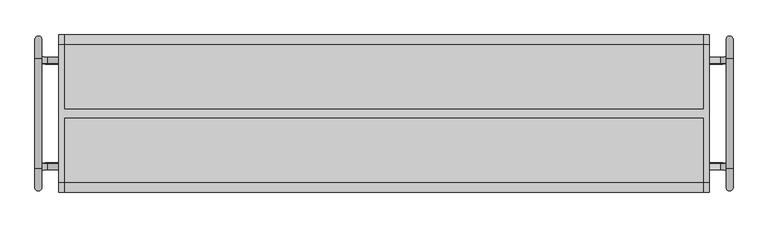
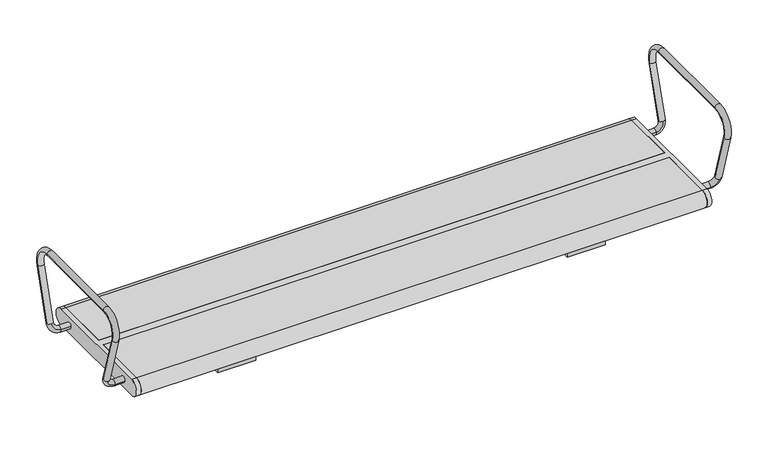
"""IFC4 building model written with IfcOpenShell, lengths in millimetres: furniture geometry."""

from ifc_helpers import new_model, si_unit, point, frame, frame_2d, origin, place, context, project, spatial, polyline, circle_curve, ellipse_curve, trimmed, segment, composite_curve, outline, extrude, source, transform, mapped, element, save
from ifc_brep_helpers import plane_surface, cylinder_surface, revolved_surface, advanced_brep


def furniture_32a941c4(model_context):
    return source(origin(), model_context, "Body", "SolidModel", [
        advanced_brep(
        [(797.0, 129.1398058, 447.5823999), (797.0, 170.6460701, 583.3432733), (813.0, 170.6460701, 583.3432733), (813.0, 129.1398058, 447.5823999), (805.0, 136.7902438, 445.2434262), (805.0, 121.4893678, 449.9213735), (813.0, 127.6123561, 641.5), (797.0, 127.6123561, 641.5), (797.0, -127.6123561, 641.5), (813.0, -127.6123561, 641.5), (797.0, -170.6460701, 583.3432733), (813.0, -170.6460701, 583.3432733), (797.0, -129.1398058, 447.5823999), (805.0, -136.7902438, 445.2434262), (813.0, -129.1398058, 447.5823999), (805.0, -121.4893678, 449.9213735), (784.0, -115.349562, 429.8389736), (784.0, -130.650438, 425.1610264), (757.0, -130.650438, 425.1610264), (757.0, -115.349562, 429.8389736), (784.0, 130.650438, 425.1610264), (784.0, 115.349562, 429.8389736), (757.0, 130.650438, 425.1610264), (757.0, 115.349562, 429.8389736)],
        [
            (0, 1),
            (1, 2, circle_curve(frame((805.0, 170.6460701, 583.3432733), z_axis=(0.0, -0.2923717047227381, -0.9563047559630351), x_axis=(-1.0, 0.0, 0.0)), 8.0)),
            (2, 3),
            (3, 4, circle_curve(frame((805.0, 129.1398058, 447.5823999), z_axis=(0.0, 0.2923717047227381, 0.9563047559630351), x_axis=(-1.0, 0.0, 0.0)), 8.0)),
            (4, 0, circle_curve(frame((805.0, 129.1398058, 447.5823999), z_axis=(0.0, 0.2923717047227381, 0.9563047559630351), x_axis=(-1.0, 0.0, 0.0)), 8.0)),
            (0, 5, circle_curve(frame((805.0, 129.1398058, 447.5823999), z_axis=(0.0, 0.2923717047227381, 0.9563047559630351), x_axis=(-1.0, 0.0, 0.0)), 8.0)),
            (5, 3, circle_curve(frame((805.0, 129.1398058, 447.5823999), z_axis=(0.0, 0.2923717047227381, 0.9563047559630351), x_axis=(-1.0, 0.0, 0.0)), 8.0)),
            (2, 1, circle_curve(frame((805.0, 170.6460701, 583.3432733), z_axis=(0.0, -0.2923717047227381, -0.9563047559630351), x_axis=(-1.0, 0.0, 0.0)), 8.0)),
            (6, 7, circle_curve(frame((805.0, 127.6123561, 641.5), z_axis=(0.0, -1.0, 0.0), x_axis=(-1.0, 0.0, 0.0)), 8.0)),
            (7, 8),
            (8, 9, circle_curve(frame((805.0, -127.6123561, 641.5), z_axis=(0.0, 1.0, 0.0), x_axis=(-1.0, 0.0, 0.0)), 8.0)),
            (9, 6),
            (7, 6, circle_curve(frame((805.0, 127.6123561, 641.5), z_axis=(0.0, -1.0, 0.0), x_axis=(-1.0, 0.0, 0.0)), 8.0)),
            (9, 8, circle_curve(frame((805.0, -127.6123561, 641.5), z_axis=(0.0, 1.0, 0.0), x_axis=(-1.0, 0.0, 0.0)), 8.0)),
            (1, 7, circle_curve(frame((797.0, 127.6123561, 596.5), z_axis=(1.0, 0.0, 0.0), x_axis=(0.0, 0.9563047559630351, -0.2923717047227379)), 45.0)),
            (6, 2, circle_curve(frame((813.0, 127.6123561, 596.5), z_axis=(-1.0, 0.0, 0.0), x_axis=(0.0, 0.9563047559630351, -0.2923717047227379)), 45.0)),
            (8, 10, circle_curve(frame((797.0, -127.6123561, 596.5), z_axis=(1.0, 0.0, 0.0), x_axis=(0.0, 0.0, 1.0)), 45.0)),
            (10, 11, circle_curve(frame((805.0, -170.6460701, 583.3432733), z_axis=(0.0, -0.29237170472274115, 0.9563047559630341), x_axis=(-1.0, 0.0, 0.0)), 8.0)),
            (11, 9, circle_curve(frame((813.0, -127.6123561, 596.5), z_axis=(-1.0, 0.0, 0.0), x_axis=(0.0, 0.0, 1.0)), 45.0)),
            (11, 10, circle_curve(frame((805.0, -170.6460701, 583.3432733), z_axis=(0.0, -0.29237170472274093, 0.9563047559630342), x_axis=(-1.0, 0.0, 0.0)), 8.0)),
            (10, 12),
            (12, 13, circle_curve(frame((805.0, -129.1398058, 447.5823999), z_axis=(0.0, -0.29237170472273494, 0.9563047559630361), x_axis=(-1.0, 0.0, 0.0)), 8.0)),
            (13, 14, circle_curve(frame((805.0, -129.1398058, 447.5823999), z_axis=(0.0, -0.29237170472273494, 0.9563047559630361), x_axis=(-1.0, 0.0, 0.0)), 8.0)),
            (14, 11),
            (14, 15, circle_curve(frame((805.0, -129.1398058, 447.5823999), z_axis=(0.0, -0.29237170472273494, 0.9563047559630361), x_axis=(-1.0, 0.0, 0.0)), 8.0)),
            (15, 12, circle_curve(frame((805.0, -129.1398058, 447.5823999), z_axis=(0.0, -0.29237170472273494, 0.9563047559630361), x_axis=(-1.0, 0.0, 0.0)), 8.0)),
            (16, 15, circle_curve(frame((784.0, -121.4893678, 449.9213735), z_axis=(0.0, -0.9563047559630359, -0.29237170472273544), x_axis=(1.0, 0.0, 0.0)), 21.0)),
            (13, 17, circle_curve(frame((784.0, -136.7902438, 445.2434262), z_axis=(0.0, 0.9563047559630359, 0.29237170472273544), x_axis=(1.0, 0.0, 0.0)), 21.0)),
            (17, 16, circle_curve(frame((784.0, -123.0, 427.5), z_axis=(1.0, 0.0, 0.0), x_axis=(0.0, 0.9563047559630359, 0.29237170472273544)), 8.0)),
            (16, 17, circle_curve(frame((784.0, -123.0, 427.5), z_axis=(1.0, 0.0, 0.0), x_axis=(0.0, 0.9563047559630359, 0.29237170472273544)), 8.0)),
            (18, 19, circle_curve(frame((757.0, -123.0, 427.5), z_axis=(-1.0, 0.0, 0.0), x_axis=(0.0, 0.956304755963036, 0.2923717047227355)), 8.0)),
            (19, 18, circle_curve(frame((757.0, -123.0, 427.5), z_axis=(-1.0, 0.0, 0.0), x_axis=(0.0, 0.956304755963036, 0.2923717047227355)), 8.0)),
            (17, 18),
            (19, 16),
            (20, 4, circle_curve(frame((784.0, 136.7902438, 445.2434262), z_axis=(0.0, -0.9563047559630359, 0.29237170472273544), x_axis=(1.0, 0.0, 0.0)), 21.0)),
            (5, 21, circle_curve(frame((784.0, 121.4893678, 449.9213735), z_axis=(0.0, 0.9563047559630359, -0.29237170472273544), x_axis=(1.0, 0.0, 0.0)), 21.0)),
            (21, 20, circle_curve(frame((784.0, 123.0, 427.5), z_axis=(1.0, 0.0, 0.0), x_axis=(0.0, -0.9563047559630359, 0.29237170472273544)), 8.0)),
            (20, 21, circle_curve(frame((784.0, 123.0, 427.5), z_axis=(1.0, 0.0, 0.0), x_axis=(0.0, -0.9563047559630359, 0.29237170472273544)), 8.0)),
            (22, 23, circle_curve(frame((757.0, 123.0, 427.5), z_axis=(-1.0, 0.0, 0.0), x_axis=(0.0, -0.956304755963036, 0.2923717047227355)), 8.0)),
            (23, 22, circle_curve(frame((757.0, 123.0, 427.5), z_axis=(-1.0, 0.0, 0.0), x_axis=(0.0, -0.956304755963036, 0.2923717047227355)), 8.0)),
            (21, 23),
            (22, 20),
        ],
        [
            cylinder_surface(frame((805.0, 129.1398058, 447.5823999), z_axis=(0.0, -0.2923717047227381, -0.9563047559630351), x_axis=(-1.0, 0.0, 0.0)), 8.0),
            cylinder_surface(frame((805.0, 127.6123561, 641.5), z_axis=(0.0, 1.0, 0.0), x_axis=(-1.0, 0.0, 0.0)), 8.0),
            revolved_surface(trimmed(ellipse_curve(frame((805.0, 170.6460701, 583.3432733), z_axis=(0.0, -0.2923717047227378, -0.9563047559630351), x_axis=(-1.0, 0.0, 0.0)), 8.0, 8.0), [point((797.0, 170.6460701, 583.3432733))], [point((813.0, 170.6460701, 583.3432733))], True, "CARTESIAN"), (0.0, 127.6123561, 596.5), (1.0, 0.0, 0.0)),
            revolved_surface(trimmed(ellipse_curve(frame((805.0, 170.6460701, 583.3432733), z_axis=(0.0, -0.2923717047227378, -0.9563047559630351), x_axis=(-1.0, 0.0, 0.0)), 8.0, 8.0), [point((813.0, 170.6460701, 583.3432733))], [point((797.0, 170.6460701, 583.3432733))], True, "CARTESIAN"), (0.0, 127.6123561, 596.5), (1.0, 0.0, 0.0)),
            revolved_surface(trimmed(ellipse_curve(frame((805.0, -127.6123561, 641.5), z_axis=(0.0, 1.0, 0.0), x_axis=(-1.0, 0.0, 0.0)), 8.0, 8.0), [point((797.0, -127.6123561, 641.5))], [point((813.0, -127.6123561, 641.5))], True, "CARTESIAN"), (0.0, -127.6123561, 596.5), (1.0, 0.0, 0.0)),
            revolved_surface(trimmed(ellipse_curve(frame((805.0, -127.6123561, 641.5), z_axis=(0.0, 1.0, 0.0), x_axis=(-1.0, 0.0, 0.0)), 8.0, 8.0), [point((813.0, -127.6123561, 641.5))], [point((797.0, -127.6123561, 641.5))], True, "CARTESIAN"), (0.0, -127.6123561, 596.5), (1.0, 0.0, 0.0)),
            cylinder_surface(frame((805.0, -170.6460701, 583.3432733), z_axis=(0.0, -0.29237170472273494, 0.9563047559630361), x_axis=(-1.0, 0.0, 0.0)), 8.0),
            revolved_surface(trimmed(ellipse_curve(frame((805.0, -129.1398058, 447.5823999), z_axis=(0.0, -0.29237170472273544, 0.9563047559630359), x_axis=(0.0, 0.9563047559630359, 0.29237170472273544)), 8.0, 8.0), [point((805.0, -136.7902438, 445.2434262))], [point((805.0, -121.4893678, 449.9213735))], True, "CARTESIAN"), (784.0, -11.5143208, 483.5441196), (0.0, 0.9563047559630359, 0.29237170472273544)),
            revolved_surface(trimmed(ellipse_curve(frame((805.0, -129.1398058, 447.5823999), z_axis=(0.0, -0.29237170472273544, 0.9563047559630359), x_axis=(0.0, 0.9563047559630359, 0.29237170472273544)), 8.0, 8.0), [point((805.0, -121.4893678, 449.9213735))], [point((805.0, -136.7902438, 445.2434262))], True, "CARTESIAN"), (784.0, -11.5143208, 483.5441196), (0.0, 0.9563047559630359, 0.29237170472273544)),
            plane_surface(frame((757.0, -5.374515, 463.4617197), z_axis=(-1.0, 0.0, 0.0), x_axis=(0.0, 0.9563047559630359, 0.29237170472273544))),
            cylinder_surface(frame((784.0, -123.0, 427.5), z_axis=(1.0, 0.0, 0.0), x_axis=(0.0, 0.956304755963036, 0.2923717047227355)), 8.0),
            revolved_surface(trimmed(ellipse_curve(frame((805.0, 129.1398058, 447.5823999), z_axis=(0.0, 0.29237170472273544, 0.9563047559630359), x_axis=(0.0, -0.9563047559630359, 0.29237170472273544)), 8.0, 8.0), [point((805.0, 121.4893678, 449.9213735))], [point((805.0, 136.7902438, 445.2434262))], True, "CARTESIAN"), (784.0, 11.5143208, 483.5441196), (0.0, 0.9563047559630359, -0.29237170472273544)),
            revolved_surface(trimmed(ellipse_curve(frame((805.0, 129.1398058, 447.5823999), z_axis=(0.0, 0.29237170472273544, 0.9563047559630359), x_axis=(0.0, -0.9563047559630359, 0.29237170472273544)), 8.0, 8.0), [point((805.0, 136.7902438, 445.2434262))], [point((805.0, 121.4893678, 449.9213735))], True, "CARTESIAN"), (784.0, 11.5143208, 483.5441196), (0.0, 0.9563047559630359, -0.29237170472273544)),
            plane_surface(frame((757.0, 5.374515, 463.4617197), z_axis=(-1.0, 0.0, 0.0), x_axis=(0.0, -0.9563047559630359, 0.29237170472273544))),
            cylinder_surface(frame((784.0, 123.0, 427.5), z_axis=(1.0, 0.0, 0.0), x_axis=(0.0, -0.956304755963036, 0.2923717047227355)), 8.0),
        ],
        [
            (0, [[1, 2, 3, 4, 5]]),
            (0, [[-1, 6, 7, -3, 8]]),
            (1, [[9, 10, 11, 12]]),
            (1, [[-10, 13, -12, 14]]),
            (2, [[-2, 15, -9, 16]]),
            (3, [[-8, -16, -13, -15]]),
            (4, [[-11, 17, 18, 19]]),
            (5, [[-14, -19, 20, -17]]),
            (6, [[-18, 21, 22, 23, 24]]),
            (6, [[-20, -24, 25, 26, -21]]),
            (7, [[27, -25, -23, 28, 29]]),
            (8, [[-27, 30, -28, -22, -26]]),
            (9, [[31, 32]]),
            (10, [[-29, 33, -32, 34]]),
            (10, [[-30, -34, -31, -33]]),
            (11, [[35, -4, -7, 36, 37]]),
            (12, [[-35, 38, -36, -6, -5]]),
            (13, [[39, 40]]),
            (14, [[-37, 41, -39, 42]]),
            (14, [[-38, -42, -40, -41]]),
        ],
    ),
        advanced_brep(
        [(-784.0, -130.650438, 425.1610264), (-805.0, -136.7902438, 445.2434262), (-813.0, -129.1398058, 447.5823999), (-805.0, -121.4893678, 449.9213735), (-784.0, -115.349562, 429.8389736), (-797.0, -129.1398058, 447.5823999), (-757.0, -130.650438, 425.1610264), (-757.0, -115.349562, 429.8389736), (-813.0, 129.1398058, 447.5823999), (-813.0, 170.6460701, 583.3432733), (-797.0, 170.6460701, 583.3432733), (-797.0, 129.1398058, 447.5823999), (-805.0, 136.7902438, 445.2434262), (-805.0, 121.4893678, 449.9213735), (-797.0, 127.6123561, 641.5), (-813.0, 127.6123561, 641.5), (-813.0, -127.6123561, 641.5), (-797.0, -127.6123561, 641.5), (-813.0, -170.6460701, 583.3432733), (-797.0, -170.6460701, 583.3432733), (-784.0, 115.349562, 429.8389736), (-784.0, 130.650438, 425.1610264), (-757.0, 130.650438, 425.1610264), (-757.0, 115.349562, 429.8389736)],
        [
            (0, 1, circle_curve(frame((-784.0, -136.7902438, 445.2434262), z_axis=(0.0, 0.9563047559630359, 0.29237170472273544), x_axis=(-1.0, 0.0, 0.0)), 21.0)),
            (1, 2, circle_curve(frame((-805.0, -129.1398058, 447.5823999), z_axis=(0.0, 0.29237170472273544, -0.9563047559630359), x_axis=(0.0, 0.9563047559630359, 0.29237170472273544)), 8.0)),
            (2, 3, circle_curve(frame((-805.0, -129.1398058, 447.5823999), z_axis=(0.0, 0.29237170472273544, -0.9563047559630359), x_axis=(0.0, 0.9563047559630359, 0.29237170472273544)), 8.0)),
            (3, 4, circle_curve(frame((-784.0, -121.4893678, 449.9213735), z_axis=(0.0, -0.9563047559630359, -0.29237170472273544), x_axis=(-1.0, 0.0, 0.0)), 21.0)),
            (4, 0, circle_curve(frame((-784.0, -123.0, 427.5), z_axis=(-1.0, 0.0, 0.0), x_axis=(0.0, 0.9563047559630359, 0.29237170472273544)), 8.0)),
            (0, 4, circle_curve(frame((-784.0, -123.0, 427.5), z_axis=(-1.0, 0.0, 0.0), x_axis=(0.0, 0.9563047559630359, 0.29237170472273544)), 8.0)),
            (3, 5, circle_curve(frame((-805.0, -129.1398058, 447.5823999), z_axis=(0.0, 0.29237170472273544, -0.9563047559630359), x_axis=(0.0, 0.9563047559630359, 0.29237170472273544)), 8.0)),
            (5, 1, circle_curve(frame((-805.0, -129.1398058, 447.5823999), z_axis=(0.0, 0.29237170472273544, -0.9563047559630359), x_axis=(0.0, 0.9563047559630359, 0.29237170472273544)), 8.0)),
            (6, 7, circle_curve(frame((-757.0, -123.0, 427.5), z_axis=(1.0, 0.0, 0.0), x_axis=(0.0, 0.956304755963036, 0.2923717047227355)), 8.0)),
            (7, 6, circle_curve(frame((-757.0, -123.0, 427.5), z_axis=(1.0, 0.0, 0.0), x_axis=(0.0, 0.956304755963036, 0.2923717047227355)), 8.0)),
            (4, 7),
            (6, 0),
            (8, 9),
            (9, 10, circle_curve(frame((-805.0, 170.6460701, 583.3432733), z_axis=(0.0, -0.2923717047227381, -0.9563047559630351), x_axis=(1.0, 0.0, 0.0)), 8.0)),
            (10, 11),
            (11, 12, circle_curve(frame((-805.0, 129.1398058, 447.5823999), z_axis=(0.0, 0.2923717047227381, 0.9563047559630351), x_axis=(1.0, 0.0, 0.0)), 8.0)),
            (12, 8, circle_curve(frame((-805.0, 129.1398058, 447.5823999), z_axis=(0.0, 0.2923717047227381, 0.9563047559630351), x_axis=(1.0, 0.0, 0.0)), 8.0)),
            (8, 13, circle_curve(frame((-805.0, 129.1398058, 447.5823999), z_axis=(0.0, 0.2923717047227381, 0.9563047559630351), x_axis=(1.0, 0.0, 0.0)), 8.0)),
            (13, 11, circle_curve(frame((-805.0, 129.1398058, 447.5823999), z_axis=(0.0, 0.2923717047227381, 0.9563047559630351), x_axis=(1.0, 0.0, 0.0)), 8.0)),
            (10, 9, circle_curve(frame((-805.0, 170.6460701, 583.3432733), z_axis=(0.0, -0.2923717047227381, -0.9563047559630351), x_axis=(1.0, 0.0, 0.0)), 8.0)),
            (14, 15, circle_curve(frame((-805.0, 127.6123561, 641.5), z_axis=(0.0, -1.0, 0.0), x_axis=(1.0, 0.0, 0.0)), 8.0)),
            (15, 16),
            (16, 17, circle_curve(frame((-805.0, -127.6123561, 641.5), z_axis=(0.0, 1.0, 0.0), x_axis=(1.0, 0.0, 0.0)), 8.0)),
            (17, 14),
            (15, 14, circle_curve(frame((-805.0, 127.6123561, 641.5), z_axis=(0.0, -1.0, 0.0), x_axis=(1.0, 0.0, 0.0)), 8.0)),
            (17, 16, circle_curve(frame((-805.0, -127.6123561, 641.5), z_axis=(0.0, 1.0, 0.0), x_axis=(1.0, 0.0, 0.0)), 8.0)),
            (9, 15, circle_curve(frame((-813.0, 127.6123561, 596.5), z_axis=(1.0, 0.0, 0.0), x_axis=(0.0, 0.9563047559630351, -0.2923717047227379)), 45.0)),
            (14, 10, circle_curve(frame((-797.0, 127.6123561, 596.5), z_axis=(-1.0, 0.0, 0.0), x_axis=(0.0, 0.9563047559630351, -0.2923717047227379)), 45.0)),
            (16, 18, circle_curve(frame((-813.0, -127.6123561, 596.5), z_axis=(1.0, 0.0, 0.0), x_axis=(0.0, 0.0, 1.0)), 45.0)),
            (18, 19, circle_curve(frame((-805.0, -170.6460701, 583.3432733), z_axis=(0.0, -0.2923717047227414, 0.9563047559630341), x_axis=(1.0, 0.0, 0.0)), 8.0)),
            (19, 17, circle_curve(frame((-797.0, -127.6123561, 596.5), z_axis=(-1.0, 0.0, 0.0), x_axis=(0.0, 0.0, 1.0)), 45.0)),
            (19, 18, circle_curve(frame((-805.0, -170.6460701, 583.3432733), z_axis=(0.0, -0.2923717047227414, 0.9563047559630341), x_axis=(1.0, 0.0, 0.0)), 8.0)),
            (18, 2),
            (5, 19),
            (20, 13, circle_curve(frame((-784.0, 121.4893678, 449.9213735), z_axis=(0.0, 0.9563047559630359, -0.29237170472273544), x_axis=(-1.0, 0.0, 0.0)), 21.0)),
            (12, 21, circle_curve(frame((-784.0, 136.7902438, 445.2434262), z_axis=(0.0, -0.9563047559630359, 0.29237170472273544), x_axis=(-1.0, 0.0, 0.0)), 21.0)),
            (21, 20, circle_curve(frame((-784.0, 123.0, 427.5), z_axis=(-1.0, 0.0, 0.0), x_axis=(0.0, -0.9563047559630359, 0.29237170472273544)), 8.0)),
            (20, 21, circle_curve(frame((-784.0, 123.0, 427.5), z_axis=(-1.0, 0.0, 0.0), x_axis=(0.0, -0.9563047559630359, 0.29237170472273544)), 8.0)),
            (22, 23, circle_curve(frame((-757.0, 123.0, 427.5), z_axis=(1.0, 0.0, 0.0), x_axis=(0.0, -0.956304755963036, 0.2923717047227355)), 8.0)),
            (23, 22, circle_curve(frame((-757.0, 123.0, 427.5), z_axis=(1.0, 0.0, 0.0), x_axis=(0.0, -0.956304755963036, 0.2923717047227355)), 8.0)),
            (21, 22),
            (23, 20),
        ],
        [
            revolved_surface(trimmed(ellipse_curve(frame((-805.0, -129.1398058, 447.5823999), z_axis=(0.0, -0.29237170472273544, 0.9563047559630359), x_axis=(0.0, 0.9563047559630359, 0.29237170472273544)), 8.0, 8.0), [point((-805.0, -121.4893678, 449.9213735))], [point((-805.0, -136.7902438, 445.2434262))], True, "CARTESIAN"), (-784.0, -11.5143208, 483.5441196), (0.0, -0.9563047559630359, -0.29237170472273544)),
            revolved_surface(trimmed(ellipse_curve(frame((-805.0, -129.1398058, 447.5823999), z_axis=(0.0, -0.29237170472273544, 0.9563047559630359), x_axis=(0.0, 0.9563047559630359, 0.29237170472273544)), 8.0, 8.0), [point((-805.0, -136.7902438, 445.2434262))], [point((-805.0, -121.4893678, 449.9213735))], True, "CARTESIAN"), (-784.0, -11.5143208, 483.5441196), (0.0, -0.9563047559630359, -0.29237170472273544)),
            plane_surface(frame((-757.0, -5.374515, 463.4617197), z_axis=(1.0, 0.0, 0.0), x_axis=(0.0, 0.9563047559630359, 0.29237170472273544))),
            cylinder_surface(frame((-784.0, -123.0, 427.5), z_axis=(-1.0, 0.0, 0.0), x_axis=(0.0, 0.956304755963036, 0.2923717047227355)), 8.0),
            cylinder_surface(frame((-805.0, 129.1398058, 447.5823999), z_axis=(0.0, -0.2923717047227381, -0.9563047559630351), x_axis=(1.0, 0.0, 0.0)), 8.0),
            cylinder_surface(frame((-805.0, 127.6123561, 641.5), z_axis=(0.0, 1.0, 0.0), x_axis=(1.0, 0.0, 0.0)), 8.0),
            revolved_surface(trimmed(ellipse_curve(frame((-805.0, 170.6460701, 583.3432733), z_axis=(0.0, -0.2923717047227378, -0.9563047559630351), x_axis=(1.0, 0.0, 0.0)), 8.0, 8.0), [point((-813.0, 170.6460701, 583.3432733))], [point((-797.0, 170.6460701, 583.3432733))], True, "CARTESIAN"), (0.0, 127.6123561, 596.5), (1.0, 0.0, 0.0)),
            revolved_surface(trimmed(ellipse_curve(frame((-805.0, 170.6460701, 583.3432733), z_axis=(0.0, -0.2923717047227378, -0.9563047559630351), x_axis=(1.0, 0.0, 0.0)), 8.0, 8.0), [point((-797.0, 170.6460701, 583.3432733))], [point((-813.0, 170.6460701, 583.3432733))], True, "CARTESIAN"), (0.0, 127.6123561, 596.5), (1.0, 0.0, 0.0)),
            revolved_surface(trimmed(ellipse_curve(frame((-805.0, -127.6123561, 641.5), z_axis=(0.0, 1.0, 0.0), x_axis=(1.0, 0.0, 0.0)), 8.0, 8.0), [point((-813.0, -127.6123561, 641.5))], [point((-797.0, -127.6123561, 641.5))], True, "CARTESIAN"), (0.0, -127.6123561, 596.5), (1.0, 0.0, 0.0)),
            revolved_surface(trimmed(ellipse_curve(frame((-805.0, -127.6123561, 641.5), z_axis=(0.0, 1.0, 0.0), x_axis=(1.0, 0.0, 0.0)), 8.0, 8.0), [point((-797.0, -127.6123561, 641.5))], [point((-813.0, -127.6123561, 641.5))], True, "CARTESIAN"), (0.0, -127.6123561, 596.5), (1.0, 0.0, 0.0)),
            cylinder_surface(frame((-805.0, -170.6460701, 583.3432733), z_axis=(0.0, -0.29237170472273494, 0.9563047559630361), x_axis=(1.0, 0.0, 0.0)), 8.0),
            revolved_surface(trimmed(ellipse_curve(frame((-805.0, 129.1398058, 447.5823999), z_axis=(0.0, 0.29237170472273544, 0.9563047559630359), x_axis=(0.0, -0.9563047559630359, 0.29237170472273544)), 8.0, 8.0), [point((-805.0, 136.7902438, 445.2434262))], [point((-805.0, 121.4893678, 449.9213735))], True, "CARTESIAN"), (-784.0, 11.5143208, 483.5441196), (0.0, -0.9563047559630359, 0.29237170472273544)),
            revolved_surface(trimmed(ellipse_curve(frame((-805.0, 129.1398058, 447.5823999), z_axis=(0.0, 0.29237170472273544, 0.9563047559630359), x_axis=(0.0, -0.9563047559630359, 0.29237170472273544)), 8.0, 8.0), [point((-805.0, 121.4893678, 449.9213735))], [point((-805.0, 136.7902438, 445.2434262))], True, "CARTESIAN"), (-784.0, 11.5143208, 483.5441196), (0.0, -0.9563047559630359, 0.29237170472273544)),
            plane_surface(frame((-757.0, 5.374515, 463.4617197), z_axis=(1.0, 0.0, 0.0), x_axis=(0.0, -0.9563047559630359, 0.29237170472273544))),
            cylinder_surface(frame((-784.0, 123.0, 427.5), z_axis=(-1.0, 0.0, 0.0), x_axis=(0.0, -0.956304755963036, 0.2923717047227355)), 8.0),
        ],
        [
            (0, [[1, 2, 3, 4, 5]]),
            (1, [[-1, 6, -4, 7, 8]]),
            (2, [[9, 10]]),
            (3, [[-5, 11, -9, 12]]),
            (3, [[-6, -12, -10, -11]]),
            (4, [[13, 14, 15, 16, 17]]),
            (4, [[-13, 18, 19, -15, 20]]),
            (5, [[21, 22, 23, 24]]),
            (5, [[-22, 25, -24, 26]]),
            (6, [[-14, 27, -21, 28]]),
            (7, [[-20, -28, -25, -27]]),
            (8, [[-23, 29, 30, 31]]),
            (9, [[-26, -31, 32, -29]]),
            (10, [[-30, 33, -2, -8, 34]]),
            (10, [[-32, -34, -7, -3, -33]]),
            (11, [[35, -18, -17, 36, 37]]),
            (12, [[-35, 38, -36, -16, -19]]),
            (13, [[39, 40]]),
            (14, [[-37, 41, -40, 42]]),
            (14, [[-38, -42, -39, -41]]),
        ],
    ),
        advanced_brep(
        [(757.0, -160.5, 405.0), (757.0, 160.5, 405.0), (757.0, 160.5, 450.0), (757.0, -160.5, 450.0), (745.0, -160.5, 405.0), (745.0, -160.5, 450.0), (745.0, -10.0, 450.0), (745.0, -10.0, 405.0), (745.0, 160.5, 450.0), (745.0, 160.5, 405.0), (745.0, 10.0, 405.0), (745.0, 10.0, 450.0), (-745.0, 10.0, 450.0), (-745.0, 160.5, 450.0), (-757.0, 160.5, 450.0), (-757.0, -160.5, 450.0), (-745.0, -160.5, 450.0), (-745.0, -10.0, 450.0), (-745.0, -10.0, 405.0), (-745.0, -160.5, 405.0), (-757.0, -160.5, 405.0), (-757.0, 160.5, 405.0), (-745.0, 160.5, 405.0), (-745.0, 10.0, 405.0)],
        [
            (0, 1),
            (1, 2, circle_curve(frame((757.0, 160.5, 427.5), z_axis=(1.0, 0.0, 0.0), x_axis=(0.0, 1.0, 0.0)), 22.5)),
            (2, 3),
            (3, 0, circle_curve(frame((757.0, -160.5, 427.5), z_axis=(1.0, 0.0, 0.0), x_axis=(0.0, -1.0, 0.0)), 22.5)),
            (4, 5, circle_curve(frame((745.0, -160.5, 427.5), z_axis=(-1.0, 0.0, 0.0), x_axis=(0.0, -1.0, 0.0)), 22.5)),
            (5, 6),
            (6, 7),
            (7, 4),
            (8, 9, circle_curve(frame((745.0, 160.5, 427.5), z_axis=(-1.0, 0.0, 0.0), x_axis=(0.0, 1.0, 0.0)), 22.5)),
            (9, 10),
            (10, 11),
            (11, 8),
            (2, 8),
            (11, 12),
            (12, 13),
            (13, 14),
            (14, 15),
            (15, 16),
            (16, 17),
            (17, 6),
            (5, 3),
            (0, 4),
            (7, 18),
            (18, 19),
            (19, 20),
            (20, 21),
            (21, 22),
            (22, 23),
            (23, 10),
            (9, 1),
            (17, 18),
            (23, 12),
            (22, 13, circle_curve(frame((-745.0, 160.5, 427.5), z_axis=(1.0, 0.0, 0.0), x_axis=(0.0, -1.0, 0.0)), 22.5)),
            (16, 19, circle_curve(frame((-745.0, -160.5, 427.5), z_axis=(1.0, 0.0, 0.0), x_axis=(0.0, -1.0, 0.0)), 22.5)),
            (20, 15, circle_curve(frame((-757.0, -160.5, 427.5), z_axis=(-1.0, 0.0, 0.0), x_axis=(0.0, -1.0, 0.0)), 22.5)),
            (14, 21, circle_curve(frame((-757.0, 160.5, 427.5), z_axis=(-1.0, 0.0, 0.0), x_axis=(0.0, -1.0, 0.0)), 22.5)),
        ],
        [
            plane_surface(frame((757.0, 160.5, 405.0), z_axis=(1.0, 0.0, 0.0), x_axis=(0.0, 1.0, 0.0))),
            plane_surface(frame((745.0, 160.5, 405.0), z_axis=(-1.0, 0.0, 0.0), x_axis=(0.0, -1.0, 0.0))),
            plane_surface(frame((757.0, 160.5, 450.0), z_axis=(0.0, 0.0, 1.0), x_axis=(-1.0, 0.0, 0.0))),
            plane_surface(frame((757.0, -160.5, 405.0), z_axis=(0.0, 0.0, -1.0), x_axis=(-1.0, 0.0, 0.0))),
            cylinder_surface(frame((745.0, -160.5, 427.5), z_axis=(1.0, 0.0, 0.0), x_axis=(0.0, -1.0, 0.0)), 22.5),
            cylinder_surface(frame((745.0, 160.5, 427.5), z_axis=(1.0, 0.0, 0.0), x_axis=(0.0, 1.0, 0.0)), 22.5),
            plane_surface(frame((745.0, -10.0, 450.0), z_axis=(0.0, -1.0, 0.0), x_axis=(-1.0, 0.0, 0.0))),
            plane_surface(frame((745.0, 10.0, 405.0), z_axis=(0.0, 1.0, 0.0), x_axis=(-1.0, 0.0, 0.0))),
            plane_surface(frame((-745.0, 160.5, 405.0), z_axis=(1.0, 0.0, 0.0), x_axis=(0.0, 1.0, 0.0))),
            plane_surface(frame((-757.0, 160.5, 405.0), z_axis=(-1.0, 0.0, 0.0), x_axis=(0.0, -1.0, 0.0))),
            cylinder_surface(frame((-757.0, -160.5, 427.5), z_axis=(1.0, 0.0, 0.0), x_axis=(0.0, -1.0, 0.0)), 22.5),
            cylinder_surface(frame((-757.0, 160.5, 427.5), z_axis=(1.0, 0.0, 0.0), x_axis=(0.0, -1.0, 0.0)), 22.5),
        ],
        [
            (0, [[1, 2, 3, 4]]),
            (1, [[5, 6, 7, 8]]),
            (1, [[9, 10, 11, 12]]),
            (2, [[-3, 13, -12, 14, 15, 16, 17, 18, 19, 20, -6, 21]]),
            (3, [[-1, 22, -8, 23, 24, 25, 26, 27, 28, 29, -10, 30]]),
            (4, [[-4, -21, -5, -22]]),
            (5, [[-2, -30, -9, -13]]),
            (6, [[-20, 31, -23, -7]]),
            (7, [[-14, -11, -29, 32]]),
            (8, [[33, -15, -32, -28]]),
            (8, [[34, -24, -31, -19]]),
            (9, [[35, -17, 36, -26]]),
            (10, [[-34, -18, -35, -25]]),
            (11, [[-33, -27, -36, -16]]),
        ],
    ),
        extrude(outline(composite_curve([segment(polyline([(10.0, 405.0), (10.0, 450.0), (160.5, 450.0)]), True, "CONTINUOUS"), segment(trimmed(circle_curve(frame_2d((160.5, 427.5)), 22.5), [point((160.5, 450.0))], [point((160.5, 405.0))], False, "CARTESIAN"), True, "CONTINUOUS"), segment(polyline([(160.5, 405.0), (10.0, 405.0)]), True, "CONTINUOUS")], self_intersect=False)), frame((-745.0, 0.0, 0.0), z_axis=(1.0, 0.0, 0.0), x_axis=(0.0, 1.0, 0.0)), (0.0, 0.0, 1.0), 1490.0),
        extrude(outline(composite_curve([segment(polyline([(-10.0, 405.0), (-160.5, 405.0)]), True, "CONTINUOUS"), segment(trimmed(circle_curve(frame_2d((-160.5, 427.5)), 22.5), [point((-160.5, 405.0))], [point((-160.5, 450.0))], False, "CARTESIAN"), True, "CONTINUOUS"), segment(polyline([(-160.5, 450.0), (-10.0, 450.0), (-10.0, 405.0)]), True, "CONTINUOUS")], self_intersect=False)), frame((-745.0, 0.0, 0.0), z_axis=(1.0, 0.0, 0.0), x_axis=(0.0, 1.0, 0.0)), (0.0, 0.0, 1.0), 1490.0),
        extrude(outline(polyline([(125.0, 359.0), (-125.0, 359.0), (-125.0, 405.0), (125.0, 405.0), (125.0, 359.0)]), holes=[polyline([(-117.202041, 397.0), (-117.202041, 367.0), (117.202041, 367.0), (117.202041, 397.0), (-117.202041, 397.0)])]), frame((410.0, 0.0, 0.0), z_axis=(1.0, 0.0, 0.0), x_axis=(0.0, 1.0, 0.0)), (0.0, 0.0, 1.0), 100.0),
        extrude(outline(polyline([(125.0, 359.0), (-125.0, 359.0), (-125.0, 405.0), (125.0, 405.0), (125.0, 359.0)]), holes=[polyline([(-117.202041, 397.0), (-117.202041, 367.0), (117.202041, 367.0), (117.202041, 397.0), (-117.202041, 397.0)])]), frame((-510.0, 0.0, 0.0), z_axis=(1.0, 0.0, 0.0), x_axis=(0.0, 1.0, 0.0)), (0.0, 0.0, 1.0), 100.0),
    ])


if __name__ == "__main__":
    model = new_model("IFC4")
    model_context = context("Model", 3, world=origin())
    ifc_project = project(units=[si_unit("LENGTHUNIT", "METRE", prefix="MILLI")], contexts=[model_context])
    site = spatial("IfcSite", under=ifc_project)
    building = spatial("IfcBuilding", under=site)
    placement = place(None, origin())
    furniture_shape = furniture_32a941c4(model_context)
    element("IfcFurniture", 1, at=placement, inside=building, context=model_context, shape_type="MappedRepresentation", body=[
        mapped(furniture_shape, transform((0.0, 0.0, 0.0), x_axis=(1.0, 0.0, 0.0), y_axis=(0.0, 1.0, 0.0), z_axis=(0.0, 0.0, 1.0))),
    ])
    save(model, "model.ifc")
